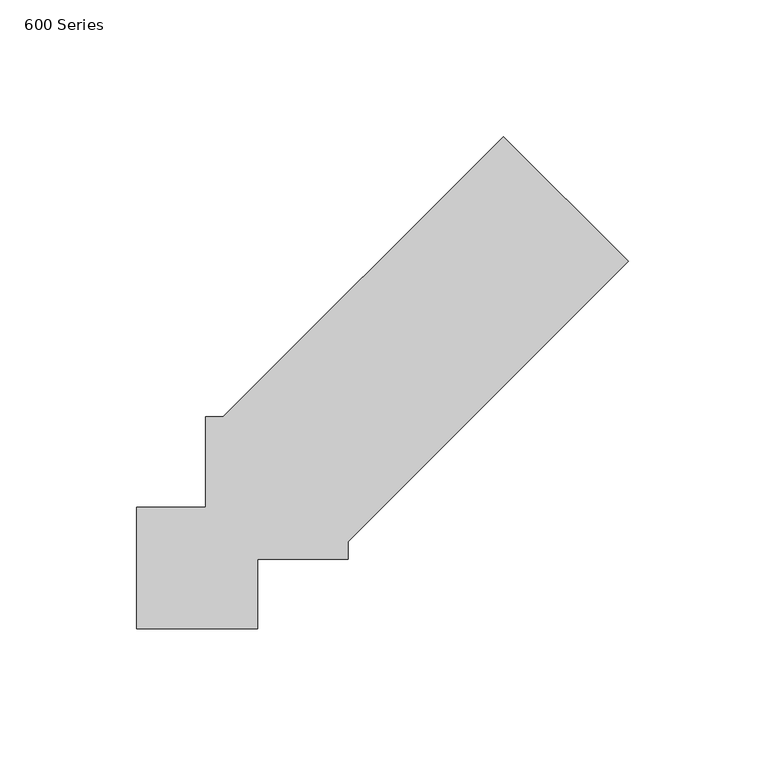
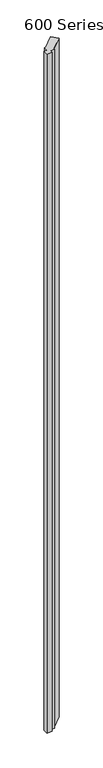
"""IFC4 building model written with IfcOpenShell, lengths in millimetres: proxy geometry, 600 Series."""

import ifcopenshell
import ifcopenshell.guid

model = None  # the IFC model being written
_history = None  # IfcOwnerHistory: only IFC2X3 demands one
_inside = {}  # id of a spatial element -> (the spatial element, [elements in it])
_under = {}  # id of a project, library or spatial element -> (it, [spatial elements below it])
_declared = {}  # id of a project -> (the project, [libraries it declares])
_typed = {}  # id of a type object -> (the type object, [elements of that type])
_made_of = {}  # id of a material, layer set ... -> (it, [elements and type objects made of it])


def new_model(schema):
    """Start an empty IFC model of exactly this schema.

    Asked for "IFC4X3", IfcOpenShell would pick the latest addendum, in which some entities
    have other attributes; the version numbers below select the first issue.
    IFC2X3 requires an IfcOwnerHistory on every rooted entity: one is made here for all.
    """
    global model, _history
    if schema == "IFC4X3":
        model = ifcopenshell.file(schema_version=(4, 3, 0, 0))
    else:
        model = ifcopenshell.file(schema=schema)
    _inside.clear()
    _under.clear()
    _declared.clear()
    _typed.clear()
    _made_of.clear()
    _history = None
    if model.schema == "IFC2X3":
        org = make("IfcOrganization", Name="unknown")
        user = make(
            "IfcPersonAndOrganization",
            ThePerson=make("IfcPerson", FamilyName="unknown"),
            TheOrganization=org,
        )
        app = make(
            "IfcApplication",
            ApplicationDeveloper=org,
            Version="unknown",
            ApplicationFullName="unknown",
            ApplicationIdentifier="unknown",
        )
        _history = make(
            "IfcOwnerHistory",
            OwningUser=user,
            OwningApplication=app,
            ChangeAction="ADDED",
            CreationDate=0,
        )
    return model


def make(cls, **values):
    """One entity of the class cls with the attributes given. An attribute that is None is left unset."""
    return model.create_entity(
        cls, **{name: value for name, value in values.items() if value is not None}
    )


def rooted(cls, **values):
    """An entity with a GlobalId (a new one), such as an element, a storey or a relation."""
    return make(cls, GlobalId=ifcopenshell.guid.new(), OwnerHistory=_history, **values)


def si_unit(unit_type, name, prefix=None):
    """IfcSIUnit, for example si_unit("LENGTHUNIT", "METRE", prefix="MILLI")."""
    return make("IfcSIUnit", UnitType=unit_type, Prefix=prefix, Name=name)


def assignment(units):
    """IfcUnitAssignment: the units of a project."""
    return None if units is None else make("IfcUnitAssignment", Units=units)


def point(xyz):
    """IfcCartesianPoint."""
    return None if xyz is None else make("IfcCartesianPoint", Coordinates=xyz)


def direction(xyz):
    """IfcDirection."""
    return None if xyz is None else make("IfcDirection", DirectionRatios=xyz)


def frame(location, z_axis=None, x_axis=None):
    """IfcAxis2Placement3D, a coordinate frame: its origin and axes. An axis left out is left unset."""
    return make(
        "IfcAxis2Placement3D",
        Location=point(location),
        Axis=direction(z_axis),
        RefDirection=direction(x_axis),
    )


def origin():
    """The frame at (0, 0, 0) with its axes left unset."""
    return frame((0.0, 0.0, 0.0))


def origin_with_axes():
    """The frame at (0, 0, 0) with the z axis (0, 0, 1) and the x axis (1, 0, 0) written out."""
    return frame((0.0, 0.0, 0.0), z_axis=(0.0, 0.0, 1.0), x_axis=(1.0, 0.0, 0.0))


def place(relative_to, where):
    """IfcLocalPlacement: puts the frame where relative to a parent placement (None: the world)."""
    return make(
        "IfcLocalPlacement", PlacementRelTo=relative_to, RelativePlacement=where
    )


def context(
    kind, dimensions, precision=None, world=None, true_north=None, identifier=None
):
    """IfcGeometricRepresentationContext, for example the 3D "Model" context."""
    return make(
        "IfcGeometricRepresentationContext",
        ContextIdentifier=identifier,
        ContextType=kind,
        CoordinateSpaceDimension=dimensions,
        Precision=precision,
        WorldCoordinateSystem=world,
        TrueNorth=true_north,
    )


def project(units=None, contexts=None):
    """IfcProject with its units and contexts."""
    return rooted(
        "IfcProject",
        Name="project",
        RepresentationContexts=contexts,
        UnitsInContext=assignment(units),
    )


def spatial(cls, under=None, at=None, **own):
    """A site, building, storey or space (cls), placed at a placement, below another one or the project."""
    s = rooted(cls, ObjectPlacement=at, **own)
    if under is not None:
        _under.setdefault(under.id(), (under, []))[1].append(s)
    return s


def polyline(points):
    """IfcPolyline through the points."""
    return make("IfcPolyline", Points=[point(p) for p in points])


def outline(outer, holes=None, kind="AREA"):
    """IfcArbitraryClosedProfileDef: a profile drawn as a closed curve; with holes, ...WithVoids."""
    if holes is None:
        return make("IfcArbitraryClosedProfileDef", ProfileType=kind, OuterCurve=outer)
    return make(
        "IfcArbitraryProfileDefWithVoids",
        ProfileType=kind,
        OuterCurve=outer,
        InnerCurves=holes,
    )


def extrude(swept, where, along, depth):
    """IfcExtrudedAreaSolid: the profile swept, set in the frame where, extruded along a direction by depth."""
    return make(
        "IfcExtrudedAreaSolid",
        SweptArea=swept,
        Position=where,
        ExtrudedDirection=direction(along),
        Depth=depth,
    )


def shape(context_of_items, identifier, shape_type, items):
    """IfcShapeRepresentation: the items that make up one representation, for example the "Body"."""
    return make(
        "IfcShapeRepresentation",
        ContextOfItems=context_of_items,
        RepresentationIdentifier=identifier,
        RepresentationType=shape_type,
        Items=items,
    )


def source(mapping_origin, context_of_items, identifier, shape_type, items):
    """IfcRepresentationMap: a shape defined once, which mapped items show again and again."""
    return make(
        "IfcRepresentationMap",
        MappingOrigin=mapping_origin,
        MappedRepresentation=shape(context_of_items, identifier, shape_type, items),
    )


def transform(
    local_origin,
    x_axis=None,
    y_axis=None,
    z_axis=None,
    scale=None,
    scale2=None,
    scale3=None,
    uniform=True,
):
    """IfcCartesianTransformationOperator3D, or its non-uniform kind. x_axis, y_axis, z_axis: its Axis1, 2, 3."""
    if uniform:
        return make(
            "IfcCartesianTransformationOperator3D",
            Axis1=direction(x_axis),
            Axis2=direction(y_axis),
            LocalOrigin=point(local_origin),
            Scale=scale,
            Axis3=direction(z_axis),
        )
    return make(
        "IfcCartesianTransformationOperator3DnonUniform",
        Axis1=direction(x_axis),
        Axis2=direction(y_axis),
        LocalOrigin=point(local_origin),
        Scale=scale,
        Axis3=direction(z_axis),
        Scale2=scale2,
        Scale3=scale3,
    )


def mapped(mapping_source, mapping_target):
    """IfcMappedItem: shows the shape of a source again, moved by a transform."""
    return make(
        "IfcMappedItem", MappingSource=mapping_source, MappingTarget=mapping_target
    )


def made_of(thing, what):
    """Note that an element or type object is made of a material, layer set ...; save() writes the relation."""
    if what is not None:
        _made_of.setdefault(what.id(), (what, []))[1].append(thing)
    return thing


def element(
    cls,
    number,
    at=None,
    inside=None,
    cuts=None,
    type_object=None,
    material=None,
    context=None,
    identifier="Body",
    shape_type=None,
    held_by="IfcProductDefinitionShape",
    body=None,
    shapes=None,
    **own,
):
    """One element of the class cls, such as IfcWall. Its Tag is "e" and its number.

    at: its placement. inside: the storey or other place that contains it. cuts: it is an
    opening in that element (IfcRelVoidsElement). A single representation is given by context,
    identifier, shape_type and body (its items); several are given by shapes. held_by: the class
    of the entity that holds the representations. save() writes the other relations.
    """
    e = rooted(cls, Tag="e%d" % number, ObjectPlacement=at, **own)
    if body is not None:
        shapes = [shape(context, identifier, shape_type, body)]
    if shapes is not None:
        e.Representation = make(held_by, Representations=shapes)
    if inside is not None:
        _inside.setdefault(inside.id(), (inside, []))[1].append(e)
    if cuts is not None:
        rooted(
            "IfcRelVoidsElement", RelatingBuildingElement=cuts, RelatedOpeningElement=e
        )
    if type_object is not None:
        _typed.setdefault(type_object.id(), (type_object, []))[1].append(e)
    return made_of(e, material)


def aggregate(whole, parts):
    """IfcRelAggregates: a whole, such as a stair, and the parts it consists of."""
    return rooted("IfcRelAggregates", RelatingObject=whole, RelatedObjects=parts)


def save(model, path):
    """Write the relations noted so far, then the file.

    IfcRelAggregates (storeys below a building ...), IfcRelContainedInSpatialStructure (elements
    in a storey), IfcRelDefinesByType, IfcRelAssociatesMaterial and IfcRelDeclares: one each for
    every whole, place, type object, material and project.
    """
    for whole, parts in _under.values():
        aggregate(whole, parts)
    for where, things in _inside.values():
        rooted(
            "IfcRelContainedInSpatialStructure",
            RelatedElements=things,
            RelatingStructure=where,
        )
    for kind, things in _typed.values():
        rooted("IfcRelDefinesByType", RelatedObjects=things, RelatingType=kind)
    for what, things in _made_of.values():
        rooted("IfcRelAssociatesMaterial", RelatedObjects=things, RelatingMaterial=what)
    for by, libraries in _declared.values():
        rooted("IfcRelDeclares", RelatingContext=by, RelatedDefinitions=libraries)
    model.write(path)


def proxy_600_series_e6818e85(model_context):
    return source(origin(), model_context, "Body", "SweptSolid", [
        extrude(outline(polyline([(12.7, 64.8151281), (19.05, 64.8151281), (121.7616794, 167.5268074), (167.5268074, 121.7616794), (64.8151281, 19.05), (64.8151281, 12.7), (31.75, 12.7), (31.75, -12.7), (-12.7, -12.7), (-12.7, 31.75), (12.7, 31.75), (12.7, 64.8151281)])), origin_with_axes(), (0.0, 0.0, 1.0), 6096.0),
    ])


if __name__ == "__main__":
    model = new_model("IFC4")
    model_context = context("Model", 3, world=origin())
    ifc_project = project(units=[si_unit("LENGTHUNIT", "METRE", prefix="MILLI")], contexts=[model_context])
    site = spatial("IfcSite", under=ifc_project)
    building = spatial("IfcBuilding", under=site)
    placement = place(None, origin())
    proxy_600_series_shape = proxy_600_series_e6818e85(model_context)
    element("IfcBuildingElementProxy", 1, Name="600 Series", ObjectType="600 Series", at=placement, inside=building, context=model_context, shape_type="MappedRepresentation", body=[
        mapped(proxy_600_series_shape, transform((0.0, 0.0, 0.0), x_axis=(1.0, 0.0, 0.0), y_axis=(0.0, 1.0, 0.0), z_axis=(0.0, 0.0, 1.0))),
    ])
    save(model, "model.ifc")
